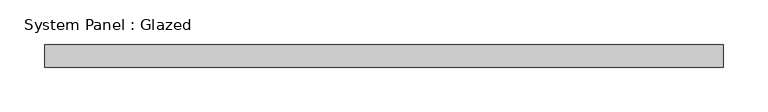
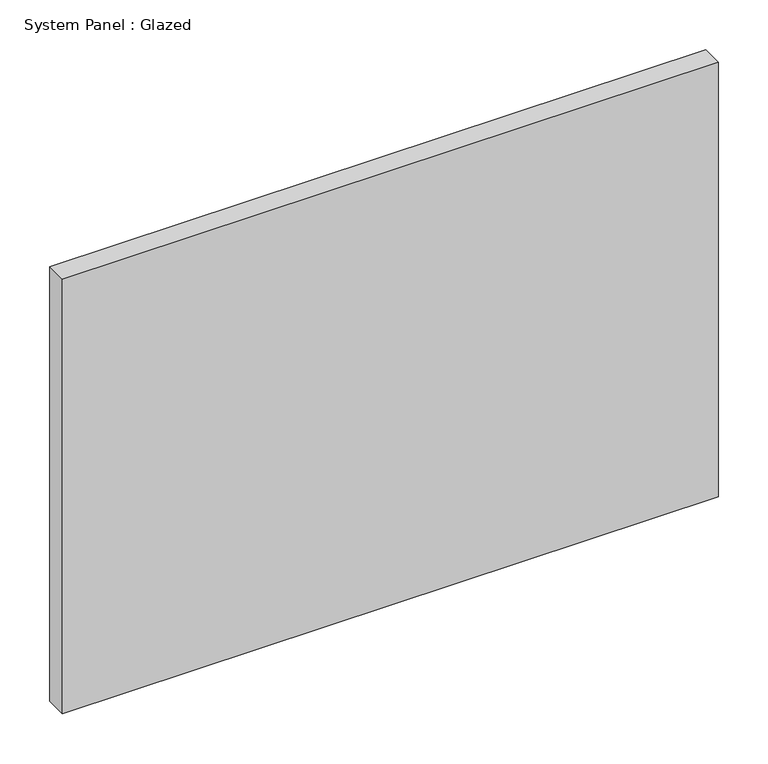
"""IFC4 building model written with IfcOpenShell, lengths in millimetres: plate geometry, System Panel : Glazed."""

from ifc_helpers import new_model, si_unit, origin, origin_with_axes, place, context, project, spatial, polyline, outline, extrude, source, transform, mapped, element, save


def system_panel_glazed_d738f299(model_context):
    return source(origin(), model_context, "Body", "SweptSolid", [
        extrude(outline(polyline([(381.0, -12.7), (-381.0, -12.7), (-381.0, 12.7), (381.0, 12.7), (381.0, -12.7)])), origin_with_axes(), (0.0, 0.0, 1.0), 533.4),
    ])


if __name__ == "__main__":
    model = new_model("IFC4")
    model_context = context("Model", 3, world=origin())
    ifc_project = project(units=[si_unit("LENGTHUNIT", "METRE", prefix="MILLI")], contexts=[model_context])
    site = spatial("IfcSite", under=ifc_project)
    building = spatial("IfcBuilding", under=site)
    placement = place(None, origin())
    system_panel_glazed_shape = system_panel_glazed_d738f299(model_context)
    element("IfcPlate", 1, ObjectType="System Panel : Glazed", at=placement, inside=building, context=model_context, shape_type="MappedRepresentation", body=[
        mapped(system_panel_glazed_shape, transform((0.0, 0.0, 0.0), x_axis=(1.0, 0.0, 0.0), y_axis=(0.0, 1.0, 0.0), z_axis=(0.0, 0.0, 1.0))),
    ])
    save(model, "model.ifc")
